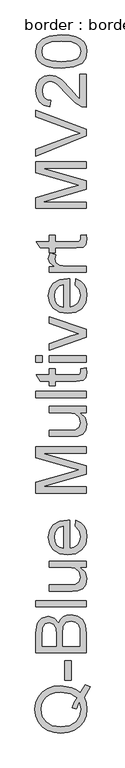
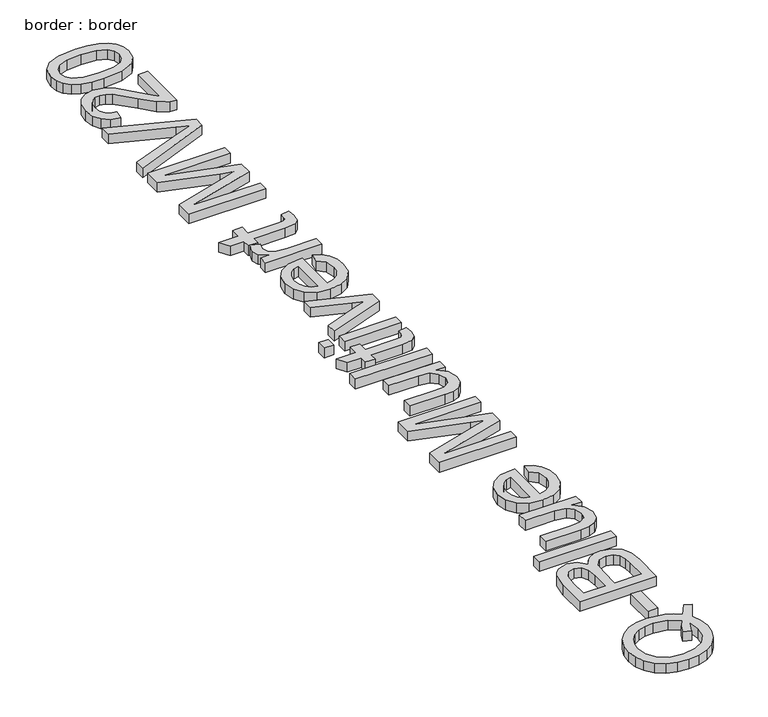
"""IFC4 building model written with IfcOpenShell, lengths in millimetres: proxy geometry, border : border."""

from ifc_helpers import new_model, si_unit, origin, origin_with_axes, place, context, project, spatial, polyline, outline, extrude, source, transform, mapped, element, save


def border_border_df0683ca(model_context):
    return source(origin(), model_context, "Body", "SweptSolid", [
        extrude(outline(polyline([(-518.063006, 579.5960363), (-502.3544448, 602.956543), (-488.55887, 597.8797714), (-506.1804175, 566.8673192), (-499.7792708, 549.4389097), (-497.6455552, 530.2630607), (-500.1057661, 510.9952412), (-507.4863986, 493.5852258), (-519.3230018, 479.0033032), (-535.1511246, 468.2197622), (-554.1016459, 461.5564996), (-575.3054444, 459.335412), (-596.527637, 461.5519011), (-615.7540698, 468.2013681), (-631.8075203, 478.9435224), (-643.5107663, 493.438073), (-650.6568741, 510.7837091), (-653.03891, 530.0791197), (-650.6016918, 549.5262817), (-643.2900371, 566.9592897), (-631.5913897, 581.4308477), (-615.9931931, 591.9936595), (-597.3231818, 598.4499885), (-576.4090904, 600.6020982), (-543.4836518, 595.3781739), (-529.8260328, 588.8206773), (-518.063006, 579.5960363)]), holes=[polyline([(-543.1157698, 535.4501968), (-537.1284904, 551.2875167), (-528.8051602, 564.0714161), (-548.2293296, 577.342759), (-575.4525972, 581.76654), (-592.0302796, 580.2030416), (-606.3730789, 575.5125461), (-618.1177116, 567.8100168), (-626.9008942, 557.2104169), (-632.3777374, 544.4311161), (-634.2033518, 530.1894843), (-630.5107363, 509.661669), (-619.4328897, 492.9598264), (-601.0249944, 481.8681842), (-575.3422326, 478.1709702), (-550.2112938, 481.8267975), (-531.6930339, 492.7942795), (-520.2840935, 509.4455383), (-516.4811134, 530.1526961), (-520.3438743, 550.422994), (-528.6947956, 530.5941545), (-543.1157698, 535.4501968)])]), origin_with_axes(), (0.0, 0.0, 1.0), 20.0),
        extrude(outline(polyline([(-544.7344506, 617.0832116), (-563.5700088, 617.0832116), (-563.5700088, 675.9443308), (-544.7344506, 675.9443308), (-544.7344506, 617.0832116)])), origin_with_axes(), (0.0, 0.0, 1.0), 20.0),
        extrude(outline(polyline([(-500.0, 699.4887785), (-650.6844652, 699.4887785), (-650.6844652, 756.9887343), (-646.2514872, 785.1501011), (-640.6274912, 794.6138654), (-632.6214593, 801.7783673), (-613.3444427, 807.7932379), (-595.7412892, 802.7348604), (-582.4055669, 787.4493635), (-576.8321547, 798.1225399), (-568.3524747, 806.0090102), (-557.527547, 810.8788481), (-544.9183916, 812.5021274), (-524.6664878, 808.0691494), (-510.2455136, 797.0878718), (-502.5935681, 780.6987289), (-500.0, 756.5472759), (-500.0, 699.4887785)]), holes=[polyline([(-589.4689012, 718.3243366), (-589.4689012, 752.7213032), (-591.087582, 772.8076601), (-598.0589458, 784.8925837), (-610.3278104, 788.9576797), (-622.615069, 785.1684952), (-629.8807384, 774.3159763), (-631.8489071, 750.109341), (-631.8489071, 718.3243366), (-589.4689012, 718.3243366)]), polyline([(-518.8355582, 718.3243366), (-518.8355582, 756.9519461), (-519.5713221, 770.931462), (-523.6732064, 782.7588681), (-532.0425218, 790.5947546), (-544.7344506, 793.6665693), (-559.376154, 790.0613257), (-568.1133514, 778.3810724), (-570.6333431, 755.1125362), (-570.6333431, 718.3243366), (-518.8355582, 718.3243366)])]), origin_with_axes(), (0.0, 0.0, 1.0), 20.0),
        extrude(outline(polyline([(-500.0, 836.0465751), (-650.6844652, 836.0465751), (-650.6844652, 854.8821333), (-500.0, 854.8821333), (-500.0, 836.0465751)])), origin_with_axes(), (0.0, 0.0, 1.0), 20.0),
        extrude(outline(polyline([(-500.0, 953.7688136), (-519.0194992, 953.7688136), (-502.9890412, 939.0167456), (-497.6455552, 919.7765172), (-501.3979516, 902.0629991), (-510.8157307, 889.8493169), (-524.6848819, 884.2391165), (-542.1960648, 883.1354705), (-610.6589041, 883.1354705), (-610.6589041, 901.9710286), (-551.0620209, 901.9710286), (-531.8585808, 903.1114628), (-520.5829976, 910.5610732), (-516.4811134, 924.5957713), (-520.6749681, 940.3227266), (-532.0977041, 950.715393), (-553.0853719, 953.7688136), (-610.6589041, 953.7688136), (-610.6589041, 972.6043717), (-500.0, 972.6043717), (-500.0, 953.7688136)])), origin_with_axes(), (0.0, 0.0, 1.0), 20.0),
        extrude(outline(polyline([(-532.9622268, 1075.9792124), (-530.607782, 1094.4468885), (-516.6926455, 1087.7928229), (-506.2907821, 1077.1748288), (-499.806862, 1062.8320296), (-497.6455552, 1045.0035484), (-501.374959, 1022.9030375), (-512.5631701, 1005.8976923), (-530.4836218, 995.0543705), (-554.4097471, 991.4399299), (-579.1406142, 995.0911587), (-597.6358815, 1006.0448451), (-609.1689821, 1022.8202641), (-613.0133489, 1043.9366906), (-609.1781791, 1064.395528), (-597.6726697, 1080.7432842), (-579.2141906, 1091.4624458), (-554.5201117, 1095.0354997), (-549.4433402, 1094.9251351), (-549.4433402, 1010.275488), (-535.3442627, 1013.5358422), (-524.9791875, 1021.1096128), (-518.6056319, 1032.0403066), (-516.4811134, 1045.3714304), (-520.4174507, 1063.8391065), (-532.9622268, 1075.9792124)]), holes=[polyline([(-568.2788983, 1010.275488), (-568.2788983, 1076.1999416), (-578.2301063, 1073.6523587), (-585.3486229, 1068.6583607), (-591.9704988, 1057.6770831), (-594.1777908, 1043.8631142), (-592.4165557, 1031.1665868), (-587.1328506, 1020.6681544), (-578.8968924, 1013.3702953), (-568.2788983, 1010.275488)])]), origin_with_axes(), (0.0, 0.0, 1.0), 20.0),
        extrude(outline(polyline([(-500.0, 1175.0866219), (-650.6844652, 1175.0866219), (-650.6844652, 1207.4970256), (-544.4769332, 1238.3255368), (-522.2936489, 1244.5427425), (-546.3163432, 1251.2749831), (-650.6844652, 1281.5884595), (-650.6844652, 1313.9988632), (-500.0, 1313.9988632), (-500.0, 1295.1633051), (-631.8489071, 1295.1633051), (-500.0, 1257.3082478), (-500.0, 1231.7772373), (-631.8489071, 1193.92218), (-500.0, 1193.92218), (-500.0, 1175.0866219)])), origin_with_axes(), (0.0, 0.0, 1.0), 20.0),
        extrude(outline(polyline([(-500.0, 1415.2399883), (-519.0194992, 1415.2399883), (-502.9890412, 1400.4879203), (-497.6455552, 1381.247692), (-501.3979516, 1363.5341739), (-510.8157307, 1351.3204916), (-524.6848819, 1345.7102912), (-542.1960648, 1344.6066452), (-610.6589041, 1344.6066452), (-610.6589041, 1363.4422034), (-551.0620209, 1363.4422034), (-531.8585808, 1364.5826376), (-520.5829976, 1372.032248), (-516.4811134, 1386.0669461), (-520.6749681, 1401.7939014), (-532.0977041, 1412.1865678), (-553.0853719, 1415.2399883), (-610.6589041, 1415.2399883), (-610.6589041, 1434.0755465), (-500.0, 1434.0755465), (-500.0, 1415.2399883)])), origin_with_axes(), (0.0, 0.0, 1.0), 20.0),
        extrude(outline(polyline([(-500.0, 1459.9744389), (-650.6844652, 1459.9744389), (-650.6844652, 1478.8099971), (-500.0, 1478.8099971), (-500.0, 1459.9744389)])), origin_with_axes(), (0.0, 0.0, 1.0), 20.0),
        extrude(outline(polyline([(-515.7085612, 1547.0888954), (-499.448177, 1549.4433402), (-497.6455552, 1535.3534597), (-500.7725522, 1519.5713221), (-508.9763207, 1511.6986474), (-530.3502646, 1509.4177791), (-591.823346, 1509.4177791), (-591.823346, 1495.2911105), (-610.6589041, 1495.2911105), (-610.6589041, 1509.4177791), (-637.551078, 1509.4177791), (-648.6243261, 1528.2533372), (-610.6589041, 1528.2533372), (-610.6589041, 1547.0888954), (-591.823346, 1547.0888954), (-591.823346, 1528.2533372), (-530.9020876, 1528.2533372), (-521.1900029, 1529.2466186), (-517.7503063, 1532.4655861), (-516.4811134, 1538.8851269), (-515.7085612, 1547.0888954)])), origin_with_axes(), (0.0, 0.0, 1.0), 20.0),
        extrude(outline(polyline([(-500.0, 1565.9244535), (-610.6589041, 1565.9244535), (-610.6589041, 1584.7600117), (-500.0, 1584.7600117), (-500.0, 1565.9244535)])), origin_with_axes(), (0.0, 0.0, 1.0), 20.0),
        extrude(outline(polyline([(-631.8489071, 1565.9244535), (-650.6844652, 1565.9244535), (-650.6844652, 1584.7600117), (-631.8489071, 1584.7600117), (-631.8489071, 1565.9244535)])), origin_with_axes(), (0.0, 0.0, 1.0), 20.0),
        extrude(outline(polyline([(-500.0, 1640.1630402), (-610.6589041, 1601.2411251), (-610.6589041, 1621.1803292), (-544.3665686, 1644.7615651), (-522.0729197, 1651.8616876), (-543.1157698, 1658.8146573), (-610.6589041, 1682.543046), (-610.6589041, 1702.4822501), (-500.0, 1664.0385816), (-500.0, 1640.1630402)])), origin_with_axes(), (0.0, 0.0, 1.0), 20.0),
        extrude(outline(polyline([(-532.9622268, 1796.4393117), (-530.607782, 1814.9069879), (-516.6926455, 1808.2529223), (-506.2907821, 1797.6349282), (-499.806862, 1783.2921289), (-497.6455552, 1765.4636477), (-501.374959, 1743.3631369), (-512.5631701, 1726.3577916), (-530.4836218, 1715.5144698), (-554.4097471, 1711.9000292), (-579.1406142, 1715.551258), (-597.6358815, 1726.5049444), (-609.1689821, 1743.2803634), (-613.0133489, 1764.3967899), (-609.1781791, 1784.8556274), (-597.6726697, 1801.2033836), (-579.2141906, 1811.9225452), (-554.5201117, 1815.4955991), (-549.4433402, 1815.3852345), (-549.4433402, 1730.7355874), (-535.3442627, 1733.9959416), (-524.9791875, 1741.5697121), (-518.6056319, 1752.5004059), (-516.4811134, 1765.8315297), (-520.4174507, 1784.2992059), (-532.9622268, 1796.4393117)]), holes=[polyline([(-568.2788983, 1730.7355874), (-568.2788983, 1796.6600409), (-578.2301063, 1794.1124581), (-585.3486229, 1789.11846), (-591.9704988, 1778.1371825), (-594.1777908, 1764.3232135), (-592.4165557, 1751.6266862), (-587.1328506, 1741.1282537), (-578.8968924, 1733.8303947), (-568.2788983, 1730.7355874)])]), origin_with_axes(), (0.0, 0.0, 1.0), 20.0),
        extrude(outline(polyline([(-500.0, 1834.3311572), (-610.6589041, 1834.3311572), (-610.6589041, 1850.8122706), (-594.2881554, 1850.8122706), (-609.3713172, 1862.510918), (-613.0133489, 1874.2831419), (-607.2008134, 1893.1922764), (-590.3150298, 1886.9014943), (-594.1777908, 1873.6577425), (-590.4621826, 1863.0075587), (-580.1614867, 1856.2201359), (-558.1621434, 1853.1667154), (-500.0, 1853.1667154), (-500.0, 1834.3311572)])), origin_with_axes(), (0.0, 0.0, 1.0), 20.0),
        extrude(outline(polyline([(-515.7085612, 1944.9900614), (-499.448177, 1947.3445061), (-497.6455552, 1933.2546257), (-500.7725522, 1917.4724881), (-508.9763207, 1909.5998134), (-530.3502646, 1907.3189451), (-591.823346, 1907.3189451), (-591.823346, 1893.1922764), (-610.6589041, 1893.1922764), (-610.6589041, 1907.3189451), (-637.551078, 1907.3189451), (-648.6243261, 1926.1545032), (-610.6589041, 1926.1545032), (-610.6589041, 1944.9900614), (-591.823346, 1944.9900614), (-591.823346, 1926.1545032), (-530.9020876, 1926.1545032), (-521.1900029, 1927.1477846), (-517.7503063, 1930.3667521), (-516.4811134, 1936.7862929), (-515.7085612, 1944.9900614)])), origin_with_axes(), (0.0, 0.0, 1.0), 20.0),
        extrude(outline(polyline([(-500.0, 2025.0411835), (-650.6844652, 2025.0411835), (-650.6844652, 2057.4515873), (-544.4769332, 2088.2800985), (-522.2936489, 2094.4973042), (-546.3163432, 2101.2295447), (-650.6844652, 2131.5430211), (-650.6844652, 2163.9534249), (-500.0, 2163.9534249), (-500.0, 2145.1178667), (-631.8489071, 2145.1178667), (-500.0, 2107.2628094), (-500.0, 2081.731799), (-631.8489071, 2043.8767417), (-500.0, 2043.8767417), (-500.0, 2025.0411835)])), origin_with_axes(), (0.0, 0.0, 1.0), 20.0),
        extrude(outline(polyline([(-500.0, 2241.4293731), (-650.6844652, 2181.4646079), (-650.6844652, 2201.6245412), (-542.1224884, 2241.7604669), (-517.6583358, 2249.890659), (-542.1224884, 2257.9104865), (-650.6844652, 2298.1567767), (-650.6844652, 2318.3167101), (-500.0, 2260.8903306), (-500.0, 2241.4293731)])), origin_with_axes(), (0.0, 0.0, 1.0), 20.0),
        extrude(outline(polyline([(-518.8355582, 2425.2967943), (-500.0, 2425.2967943), (-500.0, 2326.410114), (-512.9862344, 2328.4334649), (-532.9806209, 2339.874595), (-554.8144173, 2363.4558309), (-586.1947515, 2395.9765993), (-597.0104821, 2402.0742433), (-607.5319072, 2404.1067913), (-616.9634818, 2402.1892064), (-624.8039669, 2396.4364517), (-630.087672, 2387.5934883), (-631.8489071, 2376.4052771), (-630.1290587, 2364.6560459), (-624.9695138, 2355.5279739), (-616.7749423, 2349.6372634), (-605.9500146, 2347.6001169), (-608.3044594, 2328.7645587), (-626.5238152, 2333.330894), (-639.8319464, 2343.203927), (-647.9713355, 2357.8686231), (-650.6844652, 2376.8099473), (-647.6678329, 2395.8892273), (-638.6179358, 2410.5263322), (-625.0982725, 2419.8383452), (-608.6723414, 2422.9423495), (-590.8116705, 2419.5946233), (-572.3439944, 2408.466193), (-546.5370724, 2381.4820486), (-528.4188841, 2359.8137991), (-518.8355582, 2351.315725), (-518.8355582, 2425.2967943)])), origin_with_axes(), (0.0, 0.0, 1.0), 20.0),
        extrude(outline(polyline([(-574.128222, 2444.1323524), (-598.2474853, 2445.5165084), (-617.4831152, 2449.6689764), (-632.1294171, 2456.5483698), (-642.4806967, 2466.1133016), (-648.6335231, 2478.4327499), (-650.6844652, 2493.5756926), (-645.8284229, 2515.5750359), (-631.830513, 2530.7685623), (-609.5368641, 2539.5977302), (-574.128222, 2543.0190327), (-550.1469145, 2541.6486723), (-530.9572699, 2537.537591), (-516.2971724, 2530.6995844), (-505.904506, 2521.1484481), (-499.7102929, 2508.8014086), (-497.6455552, 2493.5756926), (-501.2324047, 2474.0043704), (-511.992953, 2459.1419378), (-537.4779783, 2447.8847488), (-574.128222, 2444.1323524)]), holes=[polyline([(-574.1650102, 2462.9679106), (-544.536714, 2465.1752025), (-527.3888145, 2471.7970785), (-519.2080387, 2481.6563159), (-516.4811134, 2493.5756926), (-519.2172357, 2505.4950692), (-527.4256027, 2515.3543067), (-544.5826993, 2521.9761826), (-574.1650102, 2524.1834746), (-603.1265203, 2522.049759), (-620.407777, 2515.6486123), (-628.9886246, 2505.8077689), (-631.8489071, 2493.3549634), (-629.3289154, 2481.5643454), (-621.7689404, 2472.0913841), (-603.4116288, 2465.2487789), (-574.1650102, 2462.9679106)])]), origin_with_axes(), (0.0, 0.0, 1.0), 20.0),
    ])


if __name__ == "__main__":
    model = new_model("IFC4")
    model_context = context("Model", 3, world=origin())
    ifc_project = project(units=[si_unit("LENGTHUNIT", "METRE", prefix="MILLI")], contexts=[model_context])
    site = spatial("IfcSite", under=ifc_project)
    building = spatial("IfcBuilding", under=site)
    placement = place(None, origin())
    border_border_shape = border_border_df0683ca(model_context)
    element("IfcBuildingElementProxy", 1, Name="border : border", ObjectType="border : border", at=placement, inside=building, context=model_context, shape_type="MappedRepresentation", body=[
        mapped(border_border_shape, transform((0.0, 0.0, 0.0), x_axis=(1.0, 0.0, 0.0), y_axis=(0.0, 1.0, 0.0), z_axis=(0.0, 0.0, 1.0))),
    ])
    save(model, "model.ifc")
